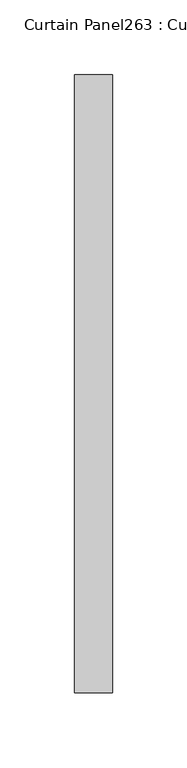
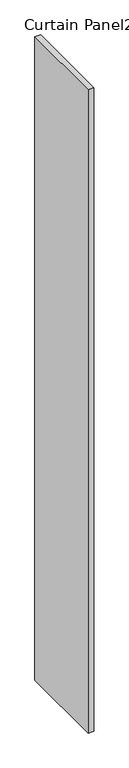
"""IFC4 building model written with IfcOpenShell, lengths in millimetres: plate geometry, Curtain Panel263 : Curtain Panel."""

from ifc_helpers import new_model, si_unit, frame, origin, place, context, project, spatial, polyline, outline, extrude, source, transform, mapped, element, save


def curtain_panel263_curtain_panel_f11bb13c(model_context):
    return source(origin(), model_context, "Body", "SweptSolid", [
        extrude(outline(polyline([(569684.6501813, 2520.9975836), (569684.6501813, 2934.6189245), (569710.0501813, 2934.6189245), (569710.0501813, 2520.9975836), (569684.6501813, 2520.9975836)])), frame((0.0, 0.0, 4959.7989371), z_axis=(0.0, 0.0, 1.0), x_axis=(1.0, 0.0, 0.0)), (0.0, 0.0, 1.0), 3048.0),
    ])


if __name__ == "__main__":
    model = new_model("IFC4")
    model_context = context("Model", 3, world=origin())
    ifc_project = project(units=[si_unit("LENGTHUNIT", "METRE", prefix="MILLI")], contexts=[model_context])
    site = spatial("IfcSite", under=ifc_project)
    building = spatial("IfcBuilding", under=site)
    placement = place(None, origin())
    curtain_panel263_curtain_panel_shape = curtain_panel263_curtain_panel_f11bb13c(model_context)
    element("IfcPlate", 1, ObjectType="Curtain Panel263 : Curtain Panel", at=placement, inside=building, context=model_context, shape_type="MappedRepresentation", body=[
        mapped(curtain_panel263_curtain_panel_shape, transform((0.0, 0.0, 0.0), x_axis=(1.0, 0.0, 0.0), y_axis=(0.0, 1.0, 0.0), z_axis=(0.0, 0.0, 1.0))),
    ])
    save(model, "model.ifc")
